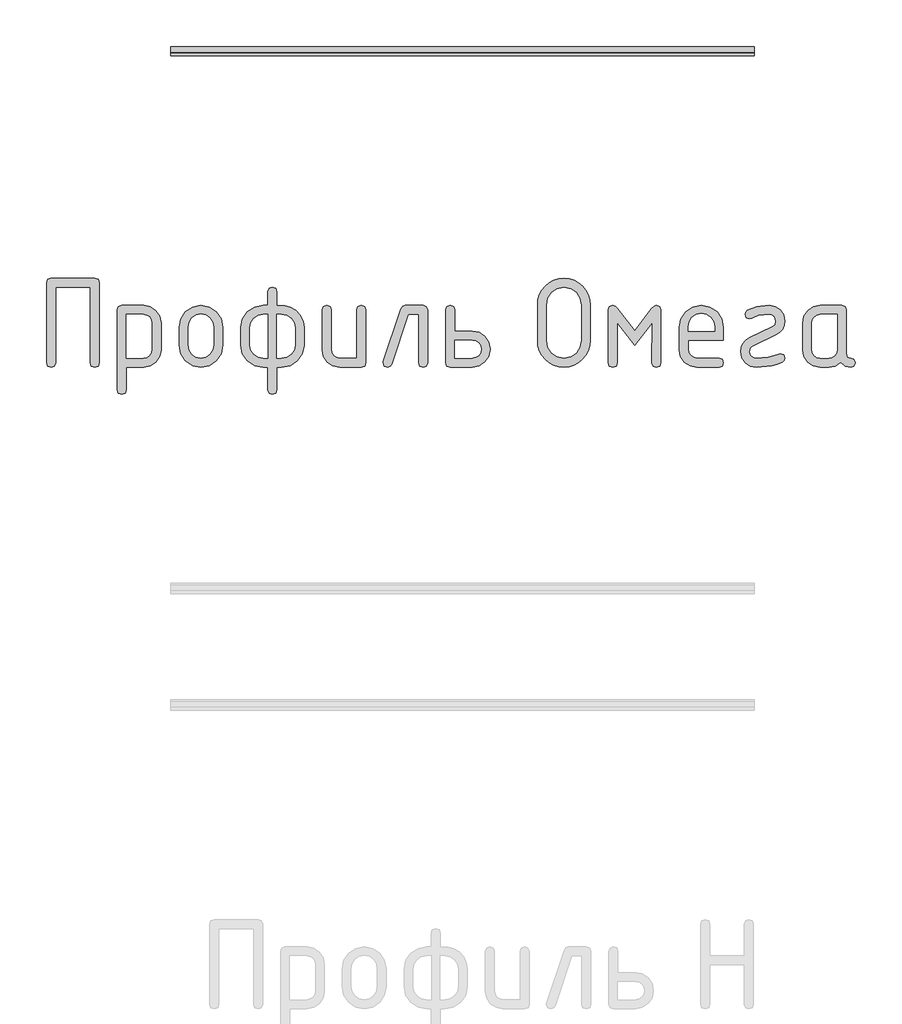
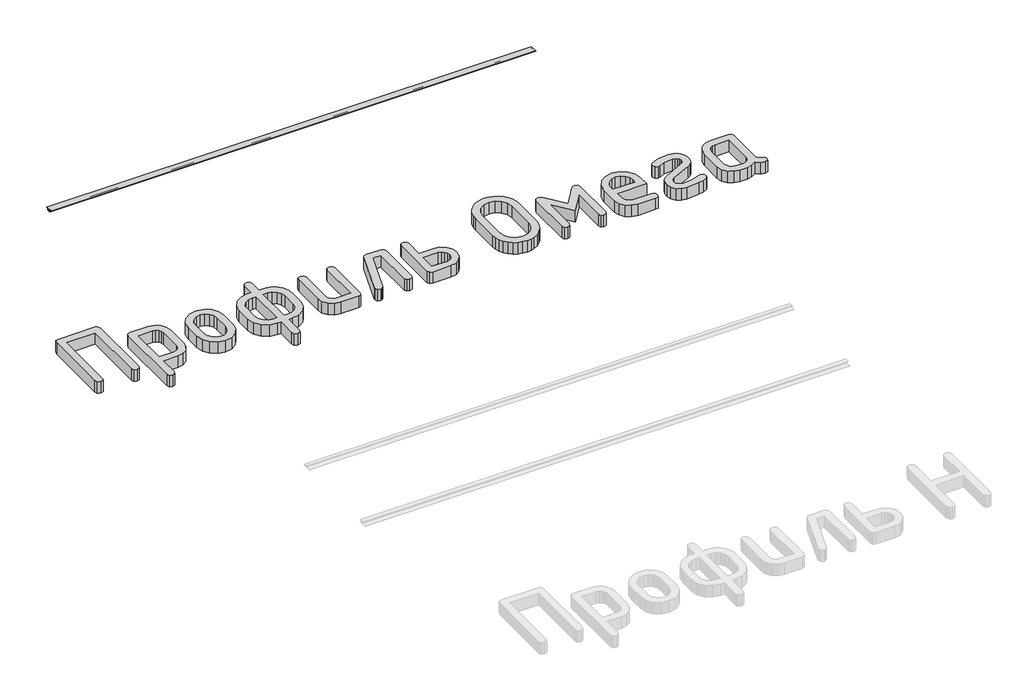
# One storey, part 33 of 33: 2 proxies.
"""IFC4 building model written with IfcOpenShell, lengths in millimetres."""

from ifc_helpers import new_model, si_unit, point, frame, frame_2d, origin, origin_with_axes, place, context, project, spatial, polyline, circle_curve, trimmed, segment, composite_curve, outline, extrude, element, save

model = new_model("IFC4")

# Units and contexts
model_context = context("Model", 3, world=origin())
ifc_project = project(units=[si_unit("LENGTHUNIT", "METRE", prefix="MILLI")], contexts=[model_context])

# Site, building, storey
site = spatial("IfcSite", under=ifc_project)
building = spatial("IfcBuilding", under=site)
storey = spatial("IfcBuildingStorey", under=building, Elevation=0.0)

# Proxies
placement = place(None, origin())
element("IfcBuildingElementProxy", 1, Name="Generic Models", at=placement, inside=storey, context=model_context, shape_type="SweptSolid", body=[
    extrude(outline(composite_curve([segment(trimmed(circle_curve(frame_2d((11271.3810733, 0.3624718)), 0.6375282), [point((11271.3810733, 1.0))], [point((11272.0186014, 0.3624718))], False, "CARTESIAN"), True, "CONTINUOUS"), segment(polyline([(11272.0186014, 0.3624718), (11272.0186014, -5.4), (11282.0186014, -5.4), (11282.0186014, 0.4101629)]), True, "CONTINUOUS"), segment(trimmed(circle_curve(frame_2d((11282.6084385, 0.4101629)), 0.5898371), [point((11282.0186014, 0.4101629))], [point((11282.6084385, 1.0))], False, "CARTESIAN"), True, "CONTINUOUS"), segment(polyline([(11282.6084385, 1.0), (11292.0186014, 1.0), (11292.0186014, 0.0), (11283.0186014, 0.0), (11283.0186014, -5.7844637)]), True, "CONTINUOUS"), segment(trimmed(circle_curve(frame_2d((11282.4030652, -5.7844637)), 0.6155363), [point((11283.0186014, -5.7844637))], [point((11282.4030652, -6.4))], False, "CARTESIAN"), True, "CONTINUOUS"), segment(polyline([(11282.4030652, -6.4), (11271.665903, -6.4)]), True, "CONTINUOUS"), segment(trimmed(circle_curve(frame_2d((11271.665903, -5.7526984)), 0.6473016), [point((11271.665903, -6.4))], [point((11271.0186014, -5.7526984))], False, "CARTESIAN"), True, "CONTINUOUS"), segment(polyline([(11271.0186014, -5.7526984), (11271.0186014, 0.0), (11262.0186014, 0.0), (11262.0186014, 1.0), (11271.3810733, 1.0)]), True, "CONTINUOUS")], self_intersect=False)), frame((55149.5646658, 0.0, 0.0), z_axis=(1.0, 0.0, 0.0), x_axis=(0.0, 1.0, 0.0)), (0.0, 0.0, 1.0), 2000.0),
    extrude(outline(polyline([(11272.5186014, 1.102551), (11261.0759725, 1.102551), (11261.0759725, 2.0), (11292.9612303, 2.0), (11292.9612303, 1.102551), (11281.5186014, 1.102551), (11281.5186014, -4.0), (11280.5186014, -4.0), (11280.5186014, 1.0), (11273.5186014, 1.0), (11273.5186014, -4.0), (11272.5186014, -4.0), (11272.5186014, 1.102551)])), frame((55149.5646658, 0.0, 0.0), z_axis=(1.0, 0.0, 0.0), x_axis=(0.0, 1.0, 0.0)), (0.0, 0.0, 1.0), 2000.0),
])
element("IfcBuildingElementProxy", 2, Name="Generic Models", at=placement, inside=storey, context=model_context, shape_type="SweptSolid", body=[
    extrude(outline(polyline([(54738.2857119, 10498.0391526), (54888.8760846, 10498.0391526), (54900.1945733, 10494.2259719), (54903.9674028, 10482.7864299), (54903.9674028, 10208.5602313), (54900.0936955, 10197.1206893), (54888.4725734, 10193.3075087), (54876.8514514, 10197.1005138), (54872.9777441, 10208.4795291), (54872.9777441, 10467.0494939), (54754.1840524, 10467.0494939), (54754.1840524, 10208.4795291), (54750.3103451, 10197.1005138), (54738.6892231, 10193.3075087), (54727.0681011, 10197.1206893), (54723.1943937, 10208.5602313), (54723.1943937, 10482.7864299), (54726.9672233, 10494.2259719), (54738.2857119, 10498.0391526)])), origin_with_axes(), (0.0, 0.0, 1.0), 50.0),
    extrude(outline(polyline([(54965.9467202, 10389.8174538), (54969.6993742, 10401.2569958), (54980.9573361, 10405.0701765), (55055.8490113, 10405.0701765), (55079.0710798, 10400.6920802), (55098.3790898, 10387.5577912), (55111.3923254, 10368.0480256), (55115.7300706, 10344.5434993), (55115.7300706, 10253.8341858), (55111.4225887, 10230.4809762), (55098.5001431, 10210.9409473), (55079.3434498, 10197.7158683), (55056.3332247, 10193.3075087), (54996.9363789, 10193.3075087), (54996.9363789, 10115.8333619), (54993.0626716, 10104.2122399), (54981.4415495, 10100.3385326), (54969.8204275, 10104.1517133), (54965.9467202, 10115.5912552), (54965.9467202, 10389.8174538)]), holes=[polyline([(54996.9363789, 10374.0805178), (54996.9363789, 10224.2971674), (55055.4455001, 10224.2971674), (55066.7236376, 10226.4862155), (55076.1859748, 10233.05336), (55082.6018026, 10242.7275406), (55084.7404119, 10254.237697), (55084.7404119, 10344.1399881), (55082.632066, 10355.8014613), (55076.3070282, 10365.4453785), (55066.8749543, 10371.9217329), (55055.4455001, 10374.0805178), (54996.9363789, 10374.0805178)])]), origin_with_axes(), (0.0, 0.0, 1.0), 50.0),
    extrude(outline(polyline([(55177.709388, 10268.925504), (55177.709388, 10329.4521811), (55183.1870523, 10358.5251617), (55199.6200451, 10382.9577637), (55223.8206282, 10399.5420733), (55252.6010632, 10405.0701765), (55281.6841315, 10399.6026), (55305.8241879, 10383.1998705), (55322.0756007, 10358.8277951), (55327.4927383, 10329.4521811), (55327.4927383, 10268.925504), (55322.0150741, 10239.8525234), (55305.5820812, 10215.4199214), (55281.3814981, 10198.8356119), (55252.6010632, 10193.3075087), (55223.8206282, 10198.8356119), (55199.6200451, 10215.4199214), (55183.1870523, 10239.8525234), (55177.709388, 10268.925504)]), holes=[polyline([(55296.5030796, 10269.8132286), (55296.5030796, 10330.420608), (55293.285078, 10347.852291), (55283.631073, 10362.540098), (55269.4375672, 10372.5269997), (55252.6010632, 10375.855967), (55235.7645591, 10372.5269997), (55221.5710533, 10362.540098), (55211.9170483, 10347.852291), (55208.6990467, 10330.420608), (55208.6990467, 10269.8132286), (55211.886785, 10252.2201411), (55221.45, 10237.5323341), (55235.6132424, 10227.6059591), (55252.6010632, 10224.2971674), (55269.4375672, 10227.6261346), (55283.631073, 10237.6130364), (55293.285078, 10252.3210189), (55296.5030796, 10269.8132286)])]), origin_with_axes(), (0.0, 0.0, 1.0), 50.0),
    extrude(outline(polyline([(55482.4410318, 10193.3075087), (55466.9462025, 10193.3075087), (55437.136814, 10198.8356119), (55412.109033, 10215.4199214), (55395.1313001, 10239.8525234), (55389.4720557, 10268.925504), (55389.4720557, 10329.4521811), (55395.1313001, 10358.5251617), (55412.109033, 10382.9577637), (55437.136814, 10399.5420733), (55466.9462025, 10405.0701765), (55482.4410318, 10405.0701765), (55482.4410318, 10451.5546645), (55486.3147392, 10463.1757865), (55497.9358612, 10467.0494939), (55509.5569832, 10463.1757865), (55513.4306905, 10451.5546645), (55513.4306905, 10405.0701765), (55540.6676953, 10403.6982384), (55558.9467518, 10399.5824244), (55578.5473074, 10388.1126191), (55593.6083622, 10371.6190996), (55603.2018405, 10351.5746816), (55606.3996666, 10329.4521811), (55606.3996666, 10268.925504), (55600.7404223, 10239.8525234), (55583.7626894, 10215.4199214), (55558.7349084, 10198.8356119), (55528.9255199, 10193.3075087), (55513.4306905, 10193.3075087), (55513.4306905, 10115.8333619), (55509.5569832, 10104.2122399), (55497.9358612, 10100.3385326), (55486.3147392, 10104.2122399), (55482.4410318, 10115.8333619), (55482.4410318, 10193.3075087)]), holes=[polyline([(55513.4306905, 10224.2971674), (55528.9255199, 10224.2971674), (55546.7909774, 10227.5857835), (55561.8116811, 10237.4516319), (55572.0104262, 10251.9780344), (55575.4100079, 10269.2483129), (55575.4100079, 10329.1293722), (55572.0104262, 10346.3996508), (55561.8116811, 10360.9260533), (55546.7909774, 10370.7919016), (55528.9255199, 10374.0805178), (55513.4306905, 10374.0805178), (55513.4306905, 10224.2971674)]), polyline([(55482.4410318, 10224.2971674), (55482.4410318, 10374.0805178), (55466.9462025, 10374.0805178), (55449.080745, 10370.7919016), (55434.0600412, 10360.9260533), (55423.8612961, 10346.3996508), (55420.4617144, 10329.1293722), (55420.4617144, 10269.2483129), (55423.8411206, 10251.8267177), (55433.979339, 10237.3305785), (55448.9798672, 10227.5555202), (55466.9462025, 10224.2971674), (55482.4410318, 10224.2971674)])]), origin_with_axes(), (0.0, 0.0, 1.0), 50.0),
    extrude(outline(polyline([(55818.1623344, 10389.9788583), (55818.1623344, 10208.3988269), (55814.4096804, 10197.0803382), (55803.1517185, 10193.3075087), (55728.2600433, 10193.3075087), (55705.0379748, 10197.685605), (55685.7299648, 10210.8198939), (55672.7167292, 10230.3296595), (55668.378984, 10253.8341858), (55668.378984, 10389.9788583), (55672.2526914, 10401.2973469), (55683.8738134, 10405.0701765), (55695.4949354, 10401.2973469), (55699.3686427, 10389.9788583), (55699.3686427, 10254.3991015), (55701.5274276, 10242.9696473), (55708.003782, 10233.2147645), (55717.4862948, 10226.5265667), (55728.6635545, 10224.2971674), (55787.1726757, 10224.2971674), (55787.1726757, 10389.9788583), (55791.0463831, 10401.2973469), (55802.6675051, 10405.0701765), (55814.2886271, 10401.2973469), (55818.1623344, 10389.9788583)])), origin_with_axes(), (0.0, 0.0, 1.0), 50.0),
    extrude(outline(polyline([(55953.4999845, 10405.0701765), (56014.4301728, 10405.0701765), (56026.0512949, 10401.2973469), (56029.9250022, 10389.9788583), (56029.9250022, 10208.3988269), (56026.0512949, 10197.0803382), (56014.4301728, 10193.3075087), (56002.8090508, 10197.0803382), (55998.9353435, 10208.3988269), (55998.9353435, 10374.0805178), (55964.3140842, 10374.0805178), (55907.1769009, 10203.5566927), (55901.8707289, 10195.8698047), (55892.8926051, 10193.3075087), (55881.5135898, 10197.1408649), (55877.7205847, 10208.6409336), (55878.4469049, 10213.240961), (55938.3279641, 10392.7227343), (55944.2192274, 10401.9833159), (55953.4999845, 10405.0701765)])), origin_with_axes(), (0.0, 0.0, 1.0), 50.0),
    extrude(outline(polyline([(56244.1087371, 10255.2868261), (56239.720553, 10231.2476475), (56226.5560007, 10211.2637562), (56207.0159717, 10197.7965706), (56183.5013577, 10193.3075087), (56107.3991489, 10193.3075087), (56095.7780269, 10197.0803382), (56091.9043196, 10208.3988269), (56091.9043196, 10389.9788583), (56095.7780269, 10401.2973469), (56107.3991489, 10405.0701765), (56119.020271, 10401.4184003), (56122.8939783, 10390.4630717), (56122.8939783, 10317.2661435), (56183.5013577, 10317.2661435), (56207.0159717, 10312.7468183), (56226.5560007, 10299.1888426), (56239.720553, 10279.174688), (56244.1087371, 10255.2868261)]), holes=[polyline([(56213.7646962, 10255.2868261), (56211.5857359, 10267.3820737), (56205.0488547, 10277.3588877), (56195.3040597, 10284.0470855), (56183.5013577, 10286.2764848), (56122.8939783, 10286.2764848), (56122.8939783, 10224.2971674), (56183.5013577, 10224.2971674), (56195.152743, 10226.55683), (56204.9278014, 10233.3358178), (56211.5554725, 10243.3428951), (56213.7646962, 10255.2868261)])]), origin_with_axes(), (0.0, 0.0, 1.0), 50.0),
    extrude(outline(polyline([(56587.7388588, 10284.7431423), (56586.0844629, 10266.5094808), (56581.1212754, 10249.6578451), (56572.8492962, 10234.1882352), (56561.2685253, 10220.1006511), (56547.3473896, 10208.3786513), (56532.0543158, 10200.0057943), (56515.389304, 10194.9820801), (56497.3523542, 10193.3075087), (56479.3154044, 10194.9820801), (56462.6503927, 10200.0057943), (56447.3573189, 10208.3786513), (56433.4361832, 10220.1006511), (56421.8554123, 10234.1882352), (56413.5834331, 10249.6578451), (56408.6202455, 10266.5094808), (56406.9658497, 10284.7431423), (56406.9658497, 10406.603519), (56408.6202455, 10424.8371804), (56413.5834331, 10441.6888161), (56421.8554123, 10457.158426), (56433.4361832, 10471.2460101), (56447.3573189, 10482.96801), (56462.6503927, 10491.340867), (56479.3154044, 10496.3645812), (56497.3523542, 10498.0391526), (56515.4876599, 10496.372147), (56532.2056325, 10491.3711303), (56547.5062721, 10483.0361025), (56561.3895787, 10471.3670635), (56572.9173887, 10457.3173086), (56581.1515387, 10441.8401328), (56586.0920288, 10424.9355363), (56587.7388588, 10406.603519), (56587.7388588, 10284.7431423)]), holes=[polyline([(56556.7492001, 10284.985249), (56556.7492001, 10406.3614122), (56552.4417182, 10429.8861141), (56539.5192726, 10449.4564064), (56520.3625793, 10462.651222), (56497.3523542, 10467.0494939), (56474.3421291, 10462.651222), (56455.1854358, 10449.4564064), (56442.2629903, 10429.8861141), (56437.9555084, 10406.3614122), (56437.9555084, 10284.985249), (56442.2629903, 10261.4605472), (56455.1854358, 10241.8902549), (56474.3421291, 10228.6954393), (56497.3523542, 10224.2971674), (56520.3625793, 10228.6954393), (56539.5192726, 10241.8902549), (56552.4417182, 10261.4605472), (56556.7492001, 10284.985249)])]), origin_with_axes(), (0.0, 0.0, 1.0), 50.0),
    extrude(outline(polyline([(56740.5888941, 10268.8448018), (56680.7078349, 10346.3996508), (56680.7078349, 10208.3988269), (56676.8341275, 10197.0803382), (56665.2130055, 10193.3075087), (56653.5918835, 10197.0803382), (56649.7181762, 10208.3988269), (56649.7181762, 10389.9788583), (56653.5918835, 10401.2973469), (56665.2130055, 10405.0701765), (56672.9604202, 10402.6692849), (56680.7078349, 10395.4666104), (56740.1046807, 10317.8310591), (56799.5015265, 10395.4666104), (56807.2489412, 10402.6692849), (56814.9963559, 10405.0701765), (56826.6174779, 10401.2973469), (56830.4911852, 10389.9788583), (56830.4911852, 10208.3988269), (56826.6174779, 10197.0803382), (56814.9963559, 10193.3075087), (56803.3752339, 10197.0803382), (56799.5015265, 10208.3988269), (56800.3892511, 10346.3996508), (56740.5888941, 10268.8448018)])), origin_with_axes(), (0.0, 0.0, 1.0), 50.0),
    extrude(outline(polyline([(56923.4601613, 10286.2764848), (56923.4601613, 10255.2868261), (56925.6996484, 10243.4942118), (56932.4181096, 10233.4568712), (56942.2234313, 10226.5870933), (56953.7234999, 10224.2971674), (57029.5028997, 10224.2971674), (57040.881915, 10220.4234601), (57044.6749201, 10208.802338), (57040.881915, 10197.181216), (57029.5028997, 10193.3075087), (56953.7234999, 10193.3075087), (56930.1786225, 10197.685605), (56910.3863991, 10210.8198939), (56896.9494768, 10230.3296595), (56892.4705026, 10253.8341858), (56892.4705026, 10329.4521811), (56898.0893958, 10358.5251617), (56914.9460754, 10382.9577637), (56939.671223, 10399.5420733), (56968.8955203, 10405.0701765), (56998.3417488, 10399.7034778), (57022.764263, 10383.6033816), (57039.1972558, 10359.6751686), (57044.6749201, 10330.8241192), (57044.6749201, 10286.2764848), (56923.4601613, 10286.2764848)]), holes=[polyline([(56968.8955203, 10377.8735229), (56951.4638373, 10374.5445556), (56936.7760303, 10364.5576539), (56926.7891286, 10349.8698469), (56923.4601613, 10332.4381639), (56923.4601613, 10317.2661435), (57014.3308793, 10317.2661435), (57014.3308793, 10332.4381639), (57011.0019121, 10349.8698469), (57001.0150103, 10364.5576539), (56986.3272033, 10374.5445556), (56968.8955203, 10377.8735229)])]), origin_with_axes(), (0.0, 0.0, 1.0), 50.0),
    extrude(outline(polyline([(57239.8936295, 10239.4691878), (57251.2726448, 10235.6761827), (57255.0656499, 10224.2971674), (57252.9472162, 10216.3479971), (57246.5919151, 10210.4163828), (57230.0126494, 10202.9312504), (57209.489062, 10197.5847272), (57156.6089217, 10193.3075087), (57136.1509048, 10197.1610405), (57119.0016796, 10208.7216358), (57107.3805576, 10225.7498076), (57103.5068503, 10246.0060689), (57105.4033528, 10261.3949766), (57111.0928605, 10274.4737827), (57120.5753733, 10285.2424874), (57133.8508911, 10293.7010905), (57212.3741669, 10331.3890348), (57221.6347485, 10339.3987318), (57224.7216091, 10351.4838916), (57223.0571254, 10360.159382), (57218.0636746, 10367.4629344), (57210.7298589, 10372.4261219), (57202.0442807, 10374.0805178), (57163.7107185, 10370.8524283), (57140.9526879, 10360.7646488), (57133.8508911, 10358.9084974), (57123.2788982, 10363.5085248), (57118.6788707, 10374.0805178), (57120.6964266, 10381.7270546), (57126.7490943, 10387.7191957), (57158.8887599, 10400.7324313), (57202.0442807, 10405.0701765), (57222.4417709, 10401.2166447), (57239.5708205, 10389.6560494), (57251.1919425, 10372.6278775), (57255.0656499, 10352.3716162), (57253.1540157, 10336.9827086), (57247.419113, 10323.9039024), (57237.8609419, 10313.1351978), (57224.4795024, 10304.6765946), (57146.6825467, 10267.4728638), (57137.058805, 10259.2210601), (57133.8508911, 10246.8937935), (57135.5153747, 10238.2183031), (57140.5088256, 10230.9147508), (57147.8628169, 10225.9515632), (57156.6089217, 10224.2971674), (57198.1503978, 10227.8077147), (57234.1637707, 10238.3393565), (57239.8936295, 10239.4691878)])), origin_with_axes(), (0.0, 0.0, 1.0), 50.0),
    extrude(outline(polyline([(57496.0425272, 10208.3988269), (57492.2696976, 10197.0803382), (57480.951209, 10193.3075087), (57461.8046034, 10197.3224449), (57446.4913541, 10209.3672537), (57428.0710687, 10197.3224449), (57405.8981293, 10193.3075087), (57375.8768975, 10193.3075087), (57352.654829, 10197.685605), (57333.346819, 10210.8198939), (57320.3335834, 10230.3296595), (57315.9958382, 10253.8341858), (57315.9958382, 10344.5434993), (57320.3335834, 10368.0480256), (57333.346819, 10387.5577912), (57352.654829, 10400.6920802), (57375.8768975, 10405.0701765), (57450.7685726, 10405.0701765), (57462.0265346, 10401.2973469), (57465.7791886, 10389.9788583), (57465.7791886, 10238.6621654), (57469.5621059, 10227.3436768), (57480.9108579, 10223.5708473), (57492.2596098, 10219.7778422), (57496.0425272, 10208.3988269)]), holes=[polyline([(57434.7895299, 10374.0805178), (57376.2804086, 10374.0805178), (57365.0022711, 10371.8914696), (57355.5399339, 10365.3243251), (57349.1241062, 10355.6501446), (57346.9854969, 10344.1399881), (57346.9854969, 10254.237697), (57349.1442817, 10242.8284184), (57355.6206362, 10233.1340623), (57365.1031489, 10226.5063911), (57376.2804086, 10224.2971674), (57405.4946181, 10224.2971674), (57416.7727556, 10226.4862155), (57426.2350928, 10233.05336), (57432.6509206, 10242.7275406), (57434.7895299, 10254.237697), (57434.7895299, 10374.0805178)])]), origin_with_axes(), (0.0, 0.0, 1.0), 50.0),
])

save(model, "model.ifc")
